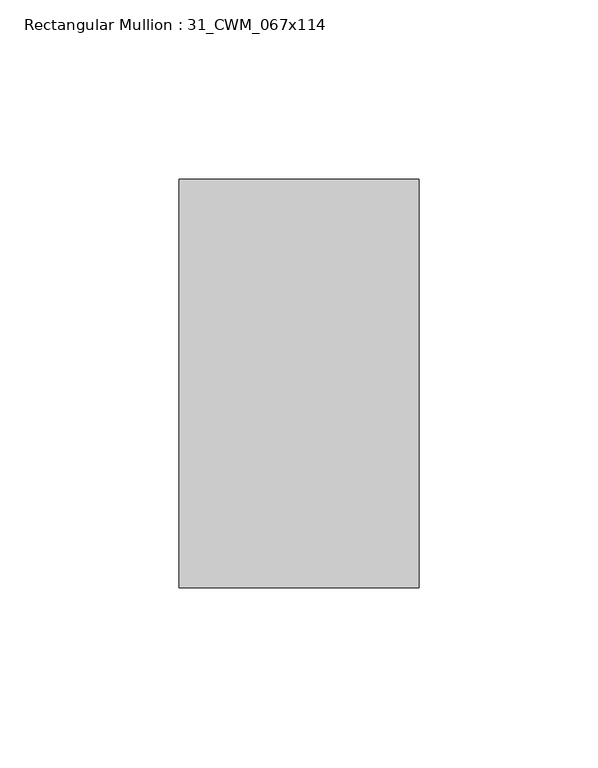
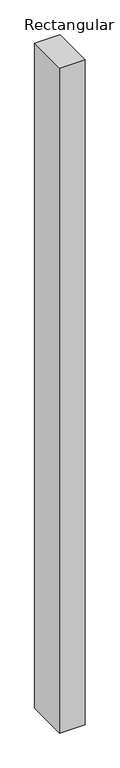
"""IFC4 building model written with IfcOpenShell, lengths in millimetres: member geometry, Rectangular Mullion : 31_CWM_067x114."""

from ifc_helpers import new_model, si_unit, frame, origin, place, context, project, spatial, polyline, outline, extrude, source, transform, mapped, element, save


def rectangular_mullion_31_cwm_067x114_dd4fdac2(model_context):
    return source(origin(), model_context, "Body", "SweptSolid", [
        extrude(outline(polyline([(0.0, 0.0), (0.0, -114.0), (-67.0, -114.0), (-67.0, 0.0), (0.0, 0.0)])), frame((0.0, 0.0, -1860.0), z_axis=(0.0, 0.0, 1.0), x_axis=(1.0, 0.0, 0.0)), (0.0, 0.0, 1.0), 1860.0),
    ])


if __name__ == "__main__":
    model = new_model("IFC4")
    model_context = context("Model", 3, world=origin())
    ifc_project = project(units=[si_unit("LENGTHUNIT", "METRE", prefix="MILLI")], contexts=[model_context])
    site = spatial("IfcSite", under=ifc_project)
    building = spatial("IfcBuilding", under=site)
    placement = place(None, origin())
    rectangular_mullion_31_cwm_067x114_shape = rectangular_mullion_31_cwm_067x114_dd4fdac2(model_context)
    element("IfcMember", 1, ObjectType="Rectangular Mullion : 31_CWM_067x114", at=placement, inside=building, context=model_context, shape_type="MappedRepresentation", body=[
        mapped(rectangular_mullion_31_cwm_067x114_shape, transform((0.0, 0.0, 0.0), x_axis=(1.0, 0.0, 0.0), y_axis=(0.0, 1.0, 0.0), z_axis=(0.0, 0.0, 1.0))),
    ])
    save(model, "model.ifc")
